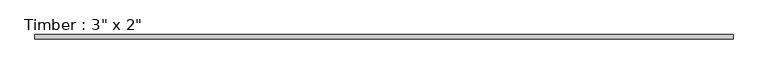
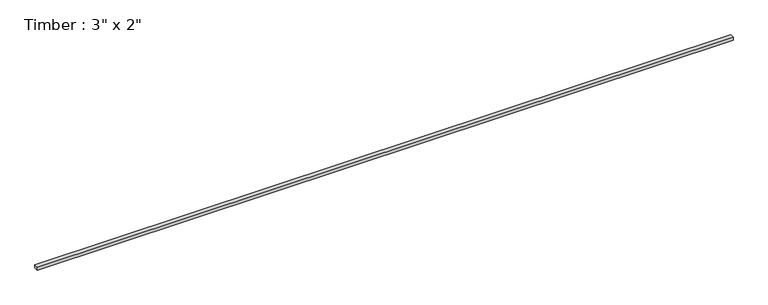
"""IFC4 building model written with IfcOpenShell, lengths in millimetres: beam geometry."""

from ifc_helpers import new_model, si_unit, frame, origin, place, context, project, spatial, polyline, outline, extrude, source, transform, mapped, element, save


def beam_a033af3d(model_context):
    return source(origin(), model_context, "Body", "SweptSolid", [
        extrude(outline(polyline([(6106.5127828, 38.1), (6106.5127828, -38.1), (-6106.5127828, -38.1), (-6106.5127828, 38.1), (6106.5127828, 38.1)])), frame((0.0, 0.0, -25.4), z_axis=(0.0, 0.0, 1.0), x_axis=(1.0, 0.0, 0.0)), (0.0, 0.0, 1.0), 50.8),
    ])


if __name__ == "__main__":
    model = new_model("IFC4")
    model_context = context("Model", 3, world=origin())
    ifc_project = project(units=[si_unit("LENGTHUNIT", "METRE", prefix="MILLI")], contexts=[model_context])
    site = spatial("IfcSite", under=ifc_project)
    building = spatial("IfcBuilding", under=site)
    placement = place(None, origin())
    beam_shape = beam_a033af3d(model_context)
    element("IfcBeam", 1, ObjectType="Timber : 3\" x 2\"", at=placement, inside=building, context=model_context, shape_type="MappedRepresentation", body=[
        mapped(beam_shape, transform((0.0, 0.0, 0.0), x_axis=(1.0, 0.0, 0.0), y_axis=(0.0, 1.0, 0.0), z_axis=(0.0, 0.0, 1.0))),
    ])
    save(model, "model.ifc")
